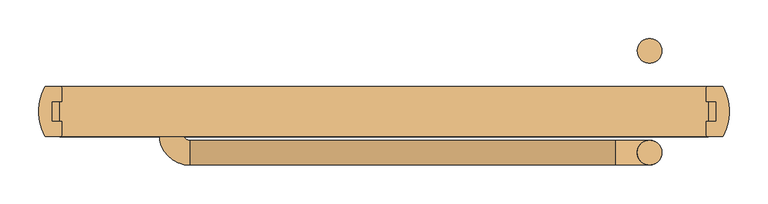
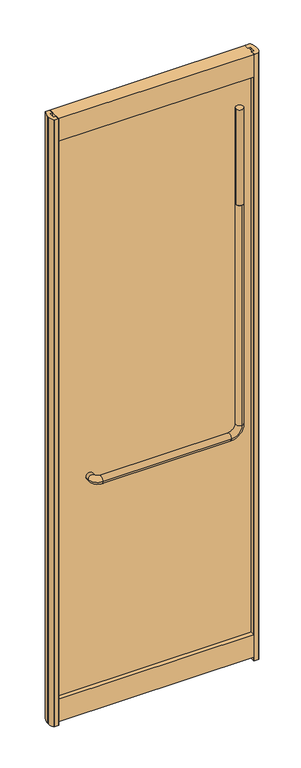
"""IFC4 building model written with IfcOpenShell, lengths in millimetres: door geometry."""

from ifc_helpers import new_model, si_unit, point, frame, frame_2d, origin, origin_with_axes, place, context, project, spatial, polyline, circle_curve, ellipse_curve, trimmed, segment, composite_curve, outline, extrude, source, transform, mapped, element, save
from ifc_brep_helpers import plane_surface, cylinder_surface, revolved_surface, advanced_brep


def door_51ad6a0b(model_context):
    return source(origin(), model_context, "Body", "SolidModel", [
        extrude(outline(composite_curve([segment(trimmed(circle_curve(frame_2d((343.28735, -53.1813703)), 15.875), [point((327.41235, -53.1813703))], [point((359.16235, -53.1813703))], False, "CARTESIAN"), True, "CONTINUOUS"), segment(trimmed(circle_curve(frame_2d((343.28735, -53.1813703)), 15.875), [point((359.16235, -53.1813703))], [point((327.41235, -53.1813703))], False, "CARTESIAN"), True, "CONTINUOUS")], self_intersect=False)), frame((0.0, 0.0, 2108.2), z_axis=(0.0, 0.0, 1.0), x_axis=(1.0, 0.0, 0.0)), (0.0, 0.0, 1.0), 431.8),
        extrude(outline(composite_curve([segment(trimmed(circle_curve(frame_2d((343.28735, 78.58125)), 15.875), [point((327.41235, 78.58125))], [point((359.16235, 78.58125))], False, "CARTESIAN"), True, "CONTINUOUS"), segment(trimmed(circle_curve(frame_2d((343.28735, 78.58125)), 15.875), [point((359.16235, 78.58125))], [point((327.41235, 78.58125))], False, "CARTESIAN"), True, "CONTINUOUS")], self_intersect=False)), frame((0.0, 0.0, 104.5539297), z_axis=(0.0, 0.0, 1.0), x_axis=(1.0, 0.0, 0.0)), (0.0, 0.0, 1.0), 2435.4460703),
        advanced_brep(
        [(-258.9058808, 0.0, 1066.8), (-290.6558808, 0.0, 1066.8), (343.28735, -37.3063703, 2108.2), (343.28735, -69.0563703, 2108.2), (-290.6558808, -29.2459994, 1066.8), (-258.9058808, -29.2459994, 1066.8), (-250.8455099, -69.0563703, 1066.8), (-250.8455099, -37.3063703, 1066.8), (298.83735, -69.0563703, 1066.8), (298.83735, -37.3063703, 1066.8), (343.28735, -69.0563703, 1111.25), (343.28735, -37.3063703, 1111.25)],
        [
            (0, 1, circle_curve(frame((-274.7808808, 0.0, 1066.8), z_axis=(0.0, 1.0, 0.0), x_axis=(-1.0, 0.0, 0.0)), 15.875)),
            (1, 0, circle_curve(frame((-274.7808808, 0.0, 1066.8), z_axis=(0.0, 1.0, 0.0), x_axis=(-1.0, 0.0, 0.0)), 15.875)),
            (2, 3, circle_curve(frame((343.28735, -53.1813703, 2108.2), z_axis=(0.0, 0.0, 1.0), x_axis=(0.0, -1.0, 0.0)), 15.875)),
            (3, 2, circle_curve(frame((343.28735, -53.1813703, 2108.2), z_axis=(0.0, 0.0, 1.0), x_axis=(0.0, -1.0, 0.0)), 15.875)),
            (1, 4),
            (4, 5, circle_curve(frame((-274.7808808, -29.2459994, 1066.8), z_axis=(0.0, 1.0, 0.0), x_axis=(-1.0, 0.0, 0.0)), 15.875)),
            (5, 0),
            (5, 4, circle_curve(frame((-274.7808808, -29.2459994, 1066.8), z_axis=(0.0, 1.0, 0.0), x_axis=(-1.0, 0.0, 0.0)), 15.875)),
            (6, 7, circle_curve(frame((-250.8455099, -53.1813703, 1066.8), z_axis=(-1.0, 0.0, 0.0), x_axis=(0.0, -1.0, 0.0)), 15.875)),
            (7, 5, circle_curve(frame((-250.8455099, -29.2459994, 1066.8), z_axis=(0.0, 0.0, -1.0), x_axis=(-1.0, 0.0, 0.0)), 8.0603709)),
            (4, 6, circle_curve(frame((-250.8455099, -29.2459994, 1066.8), z_axis=(0.0, 0.0, 1.0), x_axis=(-1.0, 0.0, 0.0)), 39.8103709)),
            (7, 6, circle_curve(frame((-250.8455099, -53.1813703, 1066.8), z_axis=(-1.0, 0.0, 0.0), x_axis=(0.0, -1.0, 0.0)), 15.875)),
            (6, 8),
            (8, 9, circle_curve(frame((298.83735, -53.1813703, 1066.8), z_axis=(-1.0, 0.0, 0.0), x_axis=(0.0, -1.0, 0.0)), 15.875)),
            (9, 7),
            (9, 8, circle_curve(frame((298.83735, -53.1813703, 1066.8), z_axis=(-1.0, 0.0, 0.0), x_axis=(0.0, -1.0, 0.0)), 15.875)),
            (10, 11, circle_curve(frame((343.28735, -53.1813703, 1111.25), z_axis=(0.0, 0.0, -1.0), x_axis=(0.0, -1.0, 0.0)), 15.875)),
            (11, 9, circle_curve(frame((298.83735, -37.3063703, 1111.25), z_axis=(0.0, 1.0, 0.0), x_axis=(0.0, 0.0, -1.0)), 44.45)),
            (8, 10, circle_curve(frame((298.83735, -69.0563703, 1111.25), z_axis=(0.0, -1.0, 0.0), x_axis=(0.0, 0.0, -1.0)), 44.45)),
            (11, 10, circle_curve(frame((343.28735, -53.1813703, 1111.25), z_axis=(0.0, 0.0, -1.0), x_axis=(0.0, -1.0, 0.0)), 15.875)),
            (10, 3),
            (2, 11),
        ],
        [
            plane_surface(frame((-290.6558808, 0.0, 1066.8), z_axis=(0.0, 1.0, 0.0), x_axis=(0.0, 0.0, 1.0))),
            plane_surface(frame((343.28735, -37.3061297, 2108.2), z_axis=(0.0, 0.0, 1.0), x_axis=(1.0, 0.0, 0.0))),
            cylinder_surface(frame((-274.7808808, 0.0, 1066.8), z_axis=(0.0, 1.0, 0.0), x_axis=(-1.0, 0.0, 0.0)), 15.875),
            revolved_surface(trimmed(ellipse_curve(frame((-274.7808808, -29.2459994, 1066.8), z_axis=(0.0, -1.0, 0.0), x_axis=(-1.0, 0.0, 0.0)), 15.875, 15.875), [point((-258.9058808, -29.2459994, 1066.8))], [point((-290.6558808, -29.2459994, 1066.8))], True, "CARTESIAN"), (-250.8455099, -29.2459994, 1066.8), (0.0, 0.0, -1.0)),
            revolved_surface(trimmed(ellipse_curve(frame((-274.7808808, -29.2459994, 1066.8), z_axis=(0.0, -1.0, 0.0), x_axis=(-1.0, 0.0, 0.0)), 15.875, 15.875), [point((-290.6558808, -29.2459994, 1066.8))], [point((-258.9058808, -29.2459994, 1066.8))], True, "CARTESIAN"), (-250.8455099, -29.2459994, 1066.8), (0.0, 0.0, -1.0)),
            cylinder_surface(frame((-250.8455099, -53.1813703, 1066.8), z_axis=(-1.0, 0.0, 0.0), x_axis=(0.0, -1.0, 0.0)), 15.875),
            revolved_surface(trimmed(ellipse_curve(frame((298.83735, -53.1813703, 1066.8), z_axis=(1.0, 0.0, 0.0), x_axis=(0.0, -1.0, 0.0)), 15.875, 15.875), [point((298.83735, -37.3063703, 1066.8))], [point((298.83735, -69.0563703, 1066.8))], True, "CARTESIAN"), (298.83735, -53.18125, 1111.25), (0.0, 1.0, 0.0)),
            revolved_surface(trimmed(ellipse_curve(frame((298.83735, -53.1813703, 1066.8), z_axis=(1.0, 0.0, 0.0), x_axis=(0.0, -1.0, 0.0)), 15.875, 15.875), [point((298.83735, -69.0563703, 1066.8))], [point((298.83735, -37.3063703, 1066.8))], True, "CARTESIAN"), (298.83735, -53.18125, 1111.25), (0.0, 1.0, 0.0)),
            cylinder_surface(frame((343.28735, -53.1813703, 1111.25), z_axis=(0.0, 0.0, -1.0), x_axis=(0.0, -1.0, 0.0)), 15.875),
        ],
        [
            (0, [[1, 2]]),
            (1, [[3, 4]]),
            (2, [[5, 6, 7, -2]]),
            (2, [[-7, 8, -5, -1]]),
            (3, [[9, 10, -6, 11]]),
            (4, [[12, -11, -8, -10]]),
            (5, [[13, 14, 15, -9]]),
            (5, [[-15, 16, -13, -12]]),
            (6, [[17, 18, -14, 19]]),
            (7, [[20, -19, -16, -18]]),
            (8, [[21, -3, 22, -17]]),
            (8, [[-22, -4, -21, -20]]),
        ],
    ),
        extrude(outline(composite_curve([segment(trimmed(circle_curve(frame_2d((437.100056, 30.6583726)), 1.7018), [point((437.100056, 32.3601726))], [point((438.6044538, 31.4539294))], False, "CARTESIAN"), True, "CONTINUOUS"), segment(trimmed(circle_curve(frame_2d((379.1246083, -0.0002496)), 67.2846), [point((438.6044538, 31.4539294))], [point((446.3064709, 3.7165681))], False, "CARTESIAN"), True, "CONTINUOUS"), segment(polyline([(446.3064709, 3.7165681), (446.3064709, -3.7165681)]), True, "CONTINUOUS"), segment(trimmed(circle_curve(frame_2d((379.1246083, 0.0002496)), 67.2846), [point((446.3064709, -3.7165681))], [point((438.6044538, -31.4539294))], False, "CARTESIAN"), True, "CONTINUOUS"), segment(trimmed(circle_curve(frame_2d((437.100056, -30.6583726)), 1.7018), [point((438.6044538, -31.4539294))], [point((437.100056, -32.3601726))], False, "CARTESIAN"), True, "CONTINUOUS"), segment(polyline([(437.100056, -32.3601726), (418.320465, -32.3601726)]), True, "CONTINUOUS"), segment(trimmed(circle_curve(frame_2d((418.320465, -30.6583726)), 1.7018), [point((418.320465, -32.3601726))], [point((416.618665, -30.6583726))], False, "CARTESIAN"), True, "CONTINUOUS"), segment(polyline([(416.618665, -30.6583726), (416.618665, -12.7), (429.6673733, -12.7), (429.6673733, 12.7), (416.618665, 12.7), (416.618665, 30.6583726)]), True, "CONTINUOUS"), segment(trimmed(circle_curve(frame_2d((418.320465, 30.6583726)), 1.7018), [point((416.618665, 30.6583726))], [point((418.320465, 32.3601726))], False, "CARTESIAN"), True, "CONTINUOUS"), segment(polyline([(418.320465, 32.3601726), (437.100056, 32.3601726)]), True, "CONTINUOUS")], self_intersect=False)), origin_with_axes(), (0.0, 0.0, 1.0), 2743.2),
        extrude(outline(composite_curve([segment(polyline([(-437.100056, 32.3601726), (-418.320465, 32.3601726)]), True, "CONTINUOUS"), segment(trimmed(circle_curve(frame_2d((-418.320465, 30.6583726)), 1.7018), [point((-418.320465, 32.3601726))], [point((-416.618665, 30.6583726))], False, "CARTESIAN"), True, "CONTINUOUS"), segment(polyline([(-416.618665, 30.6583726), (-416.618665, 12.7), (-429.6673733, 12.7), (-429.6673733, -12.7), (-416.618665, -12.7), (-416.618665, -30.6583726)]), True, "CONTINUOUS"), segment(trimmed(circle_curve(frame_2d((-418.320465, -30.6583726)), 1.7018), [point((-416.618665, -30.6583726))], [point((-418.320465, -32.3601726))], False, "CARTESIAN"), True, "CONTINUOUS"), segment(polyline([(-418.320465, -32.3601726), (-437.100056, -32.3601726)]), True, "CONTINUOUS"), segment(trimmed(circle_curve(frame_2d((-437.100056, -30.6583726)), 1.7018), [point((-437.100056, -32.3601726))], [point((-438.6044538, -31.4539294))], False, "CARTESIAN"), True, "CONTINUOUS"), segment(trimmed(circle_curve(frame_2d((-379.1246083, 0.0002496)), 67.2846), [point((-438.6044538, -31.4539294))], [point((-446.3064709, -3.7165681))], False, "CARTESIAN"), True, "CONTINUOUS"), segment(polyline([(-446.3064709, -3.7165681), (-446.3064709, 3.7165681)]), True, "CONTINUOUS"), segment(trimmed(circle_curve(frame_2d((-379.1246083, -0.0002496)), 67.2846), [point((-446.3064709, 3.7165681))], [point((-438.6044538, 31.4539294))], False, "CARTESIAN"), True, "CONTINUOUS"), segment(trimmed(circle_curve(frame_2d((-437.100056, 30.6583726)), 1.7018), [point((-438.6044538, 31.4539294))], [point((-437.100056, 32.3601726))], False, "CARTESIAN"), True, "CONTINUOUS")], self_intersect=False)), origin_with_axes(), (0.0, 0.0, 1.0), 2743.2),
        extrude(outline(polyline([(429.8357524, 12.7), (429.8357524, -12.7), (-429.7068813, -12.7), (-429.7068813, 12.7), (429.8357524, 12.7)])), frame((0.0, 0.0, 17.4625), z_axis=(0.0, 0.0, 1.0), x_axis=(1.0, 0.0, 0.0)), (0.0, 0.0, 1.0), 2636.8375),
        extrude(outline(polyline([(12.7, 119.0625), (32.3601726, 119.0625), (32.3601726, 17.4625), (-32.3601726, 17.4625), (-32.3601726, 119.0625), (-12.7, 119.0625), (-12.7, 106.3625), (12.7, 106.3625), (12.7, 119.0625)])), frame((-419.184065, 0.0, 0.0), z_axis=(1.0, 0.0, 0.0), x_axis=(0.0, 1.0, 0.0)), (0.0, 0.0, 1.0), 838.3681299),
        extrude(outline(polyline([(-32.3601726, 2743.2), (32.3601726, 2743.2), (32.3601726, 2641.6), (12.7, 2641.6), (12.7, 2654.3), (-12.7, 2654.3), (-12.7, 2641.6), (-32.3601726, 2641.6), (-32.3601726, 2743.2)])), frame((-419.184065, 0.0, 0.0), z_axis=(1.0, 0.0, 0.0), x_axis=(0.0, 1.0, 0.0)), (0.0, 0.0, 1.0), 838.3681299),
    ])


if __name__ == "__main__":
    model = new_model("IFC4")
    model_context = context("Model", 3, world=origin())
    ifc_project = project(units=[si_unit("LENGTHUNIT", "METRE", prefix="MILLI")], contexts=[model_context])
    site = spatial("IfcSite", under=ifc_project)
    building = spatial("IfcBuilding", under=site)
    placement = place(None, origin())
    door_shape = door_51ad6a0b(model_context)
    element("IfcDoor", 1, at=placement, inside=building, context=model_context, shape_type="MappedRepresentation", body=[
        mapped(door_shape, transform((0.0, 0.0, 0.0), x_axis=(1.0, 0.0, 0.0), y_axis=(0.0, 1.0, 0.0), z_axis=(0.0, 0.0, 1.0))),
    ])
    save(model, "model.ifc")
